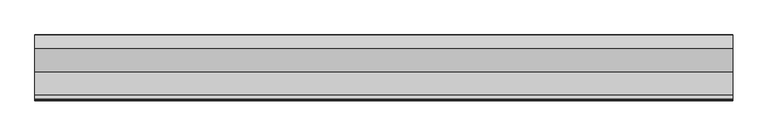
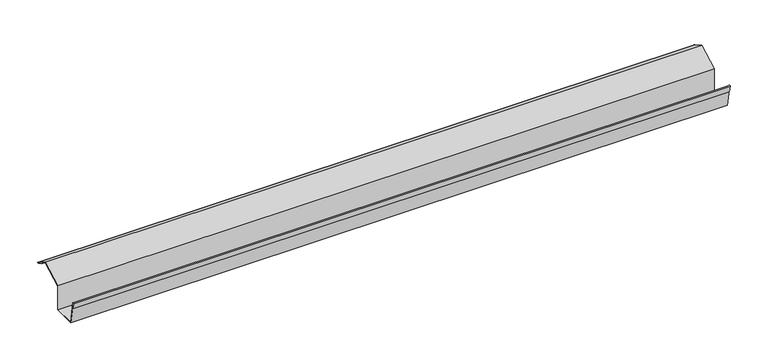
"""IFC4 building model written with IfcOpenShell, lengths in millimetres: proxy geometry."""

from ifc_helpers import new_model, si_unit, point, frame, frame_2d, origin, place, context, project, spatial, polyline, circle_curve, trimmed, segment, composite_curve, outline, extrude, source, transform, mapped, element, save


def generic_models_48cab77e(model_context):
    return source(origin(), model_context, "Body", "SweptSolid", [
        extrude(outline(composite_curve([segment(trimmed(circle_curve(frame_2d((-0.875, 44.6960426)), 0.875), [point((-0.4375, 45.4538149))], [point((-1.3125, 43.9382704))], False, "CARTESIAN"), True, "CONTINUOUS"), segment(polyline([(-1.3125, 43.9382704), (-9.972754, 48.9382704), (-9.583234, 49.6369335), (-0.9376935, 44.7609946), (-18.8836738, 55.1789798), (-52.0432394, 38.2350564), (-52.0432394, -0.0620601), (-86.8459573, -0.0620601), (-93.2927795, 35.6294218), (-91.5562977, 25.7813442), (-92.3441439, 25.6424257), (-94.0807704, 35.4913239)]), True, "CONTINUOUS"), segment(trimmed(circle_curve(frame_2d((-93.2683048, 35.6345835)), 0.8249991), [point((-94.0807704, 35.4913239))], [point((-92.4558393, 35.7778431))], False, "CARTESIAN"), True, "CONTINUOUS"), segment(polyline([(-92.4558393, 35.7778431), (-86.277359, 0.7379399), (-52.8432394, 0.7379399), (-52.8432394, 38.7246617), (-18.8594641, 56.0897408), (-0.4375, 45.4538149)]), True, "CONTINUOUS")], self_intersect=False)), frame((0.0, 0.0, 0.0), z_axis=(1.0, 0.0, 0.0), x_axis=(0.0, 1.0, 0.0)), (0.0, 0.0, 1.0), 1000.0),
    ])


if __name__ == "__main__":
    model = new_model("IFC4")
    model_context = context("Model", 3, world=origin())
    ifc_project = project(units=[si_unit("LENGTHUNIT", "METRE", prefix="MILLI")], contexts=[model_context])
    site = spatial("IfcSite", under=ifc_project)
    building = spatial("IfcBuilding", under=site)
    placement = place(None, origin())
    generic_models_shape = generic_models_48cab77e(model_context)
    element("IfcBuildingElementProxy", 1, Name="Generic Models", at=placement, inside=building, context=model_context, shape_type="MappedRepresentation", body=[
        mapped(generic_models_shape, transform((0.0, 0.0, 0.0), x_axis=(1.0, 0.0, 0.0), y_axis=(0.0, 1.0, 0.0), z_axis=(0.0, 0.0, 1.0))),
    ])
    save(model, "model.ifc")
